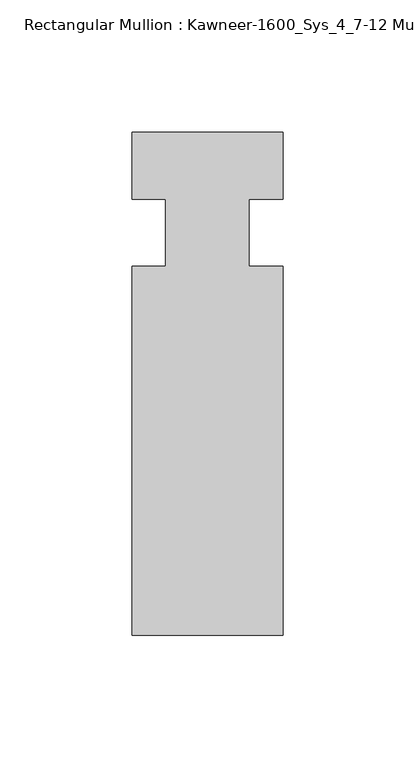
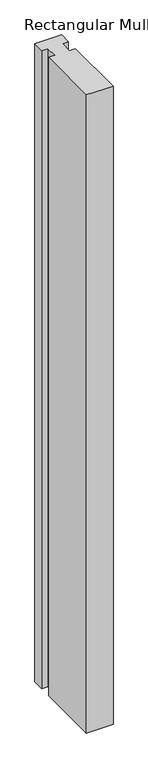
"""IFC4 building model written with IfcOpenShell, lengths in millimetres: member geometry, Rectangular Mullion : Kawneer-1600_Sys_4_7-12 Mullion_Horizontal."""

import ifcopenshell
import ifcopenshell.guid

model = None  # the IFC model being written
_history = None  # IfcOwnerHistory: only IFC2X3 demands one
_inside = {}  # id of a spatial element -> (the spatial element, [elements in it])
_under = {}  # id of a project, library or spatial element -> (it, [spatial elements below it])
_declared = {}  # id of a project -> (the project, [libraries it declares])
_typed = {}  # id of a type object -> (the type object, [elements of that type])
_made_of = {}  # id of a material, layer set ... -> (it, [elements and type objects made of it])


def new_model(schema):
    """Start an empty IFC model of exactly this schema.

    Asked for "IFC4X3", IfcOpenShell would pick the latest addendum, in which some entities
    have other attributes; the version numbers below select the first issue.
    IFC2X3 requires an IfcOwnerHistory on every rooted entity: one is made here for all.
    """
    global model, _history
    if schema == "IFC4X3":
        model = ifcopenshell.file(schema_version=(4, 3, 0, 0))
    else:
        model = ifcopenshell.file(schema=schema)
    _inside.clear()
    _under.clear()
    _declared.clear()
    _typed.clear()
    _made_of.clear()
    _history = None
    if model.schema == "IFC2X3":
        org = make("IfcOrganization", Name="unknown")
        user = make(
            "IfcPersonAndOrganization",
            ThePerson=make("IfcPerson", FamilyName="unknown"),
            TheOrganization=org,
        )
        app = make(
            "IfcApplication",
            ApplicationDeveloper=org,
            Version="unknown",
            ApplicationFullName="unknown",
            ApplicationIdentifier="unknown",
        )
        _history = make(
            "IfcOwnerHistory",
            OwningUser=user,
            OwningApplication=app,
            ChangeAction="ADDED",
            CreationDate=0,
        )
    return model


def make(cls, **values):
    """One entity of the class cls with the attributes given. An attribute that is None is left unset."""
    return model.create_entity(
        cls, **{name: value for name, value in values.items() if value is not None}
    )


def rooted(cls, **values):
    """An entity with a GlobalId (a new one), such as an element, a storey or a relation."""
    return make(cls, GlobalId=ifcopenshell.guid.new(), OwnerHistory=_history, **values)


def si_unit(unit_type, name, prefix=None):
    """IfcSIUnit, for example si_unit("LENGTHUNIT", "METRE", prefix="MILLI")."""
    return make("IfcSIUnit", UnitType=unit_type, Prefix=prefix, Name=name)


def assignment(units):
    """IfcUnitAssignment: the units of a project."""
    return None if units is None else make("IfcUnitAssignment", Units=units)


def point(xyz):
    """IfcCartesianPoint."""
    return None if xyz is None else make("IfcCartesianPoint", Coordinates=xyz)


def direction(xyz):
    """IfcDirection."""
    return None if xyz is None else make("IfcDirection", DirectionRatios=xyz)


def frame(location, z_axis=None, x_axis=None):
    """IfcAxis2Placement3D, a coordinate frame: its origin and axes. An axis left out is left unset."""
    return make(
        "IfcAxis2Placement3D",
        Location=point(location),
        Axis=direction(z_axis),
        RefDirection=direction(x_axis),
    )


def origin():
    """The frame at (0, 0, 0) with its axes left unset."""
    return frame((0.0, 0.0, 0.0))


def place(relative_to, where):
    """IfcLocalPlacement: puts the frame where relative to a parent placement (None: the world)."""
    return make(
        "IfcLocalPlacement", PlacementRelTo=relative_to, RelativePlacement=where
    )


def context(
    kind, dimensions, precision=None, world=None, true_north=None, identifier=None
):
    """IfcGeometricRepresentationContext, for example the 3D "Model" context."""
    return make(
        "IfcGeometricRepresentationContext",
        ContextIdentifier=identifier,
        ContextType=kind,
        CoordinateSpaceDimension=dimensions,
        Precision=precision,
        WorldCoordinateSystem=world,
        TrueNorth=true_north,
    )


def project(units=None, contexts=None):
    """IfcProject with its units and contexts."""
    return rooted(
        "IfcProject",
        Name="project",
        RepresentationContexts=contexts,
        UnitsInContext=assignment(units),
    )


def spatial(cls, under=None, at=None, **own):
    """A site, building, storey or space (cls), placed at a placement, below another one or the project."""
    s = rooted(cls, ObjectPlacement=at, **own)
    if under is not None:
        _under.setdefault(under.id(), (under, []))[1].append(s)
    return s


def polyline(points):
    """IfcPolyline through the points."""
    return make("IfcPolyline", Points=[point(p) for p in points])


def outline(outer, holes=None, kind="AREA"):
    """IfcArbitraryClosedProfileDef: a profile drawn as a closed curve; with holes, ...WithVoids."""
    if holes is None:
        return make("IfcArbitraryClosedProfileDef", ProfileType=kind, OuterCurve=outer)
    return make(
        "IfcArbitraryProfileDefWithVoids",
        ProfileType=kind,
        OuterCurve=outer,
        InnerCurves=holes,
    )


def extrude(swept, where, along, depth):
    """IfcExtrudedAreaSolid: the profile swept, set in the frame where, extruded along a direction by depth."""
    return make(
        "IfcExtrudedAreaSolid",
        SweptArea=swept,
        Position=where,
        ExtrudedDirection=direction(along),
        Depth=depth,
    )


def shape(context_of_items, identifier, shape_type, items):
    """IfcShapeRepresentation: the items that make up one representation, for example the "Body"."""
    return make(
        "IfcShapeRepresentation",
        ContextOfItems=context_of_items,
        RepresentationIdentifier=identifier,
        RepresentationType=shape_type,
        Items=items,
    )


def source(mapping_origin, context_of_items, identifier, shape_type, items):
    """IfcRepresentationMap: a shape defined once, which mapped items show again and again."""
    return make(
        "IfcRepresentationMap",
        MappingOrigin=mapping_origin,
        MappedRepresentation=shape(context_of_items, identifier, shape_type, items),
    )


def transform(
    local_origin,
    x_axis=None,
    y_axis=None,
    z_axis=None,
    scale=None,
    scale2=None,
    scale3=None,
    uniform=True,
):
    """IfcCartesianTransformationOperator3D, or its non-uniform kind. x_axis, y_axis, z_axis: its Axis1, 2, 3."""
    if uniform:
        return make(
            "IfcCartesianTransformationOperator3D",
            Axis1=direction(x_axis),
            Axis2=direction(y_axis),
            LocalOrigin=point(local_origin),
            Scale=scale,
            Axis3=direction(z_axis),
        )
    return make(
        "IfcCartesianTransformationOperator3DnonUniform",
        Axis1=direction(x_axis),
        Axis2=direction(y_axis),
        LocalOrigin=point(local_origin),
        Scale=scale,
        Axis3=direction(z_axis),
        Scale2=scale2,
        Scale3=scale3,
    )


def mapped(mapping_source, mapping_target):
    """IfcMappedItem: shows the shape of a source again, moved by a transform."""
    return make(
        "IfcMappedItem", MappingSource=mapping_source, MappingTarget=mapping_target
    )


def made_of(thing, what):
    """Note that an element or type object is made of a material, layer set ...; save() writes the relation."""
    if what is not None:
        _made_of.setdefault(what.id(), (what, []))[1].append(thing)
    return thing


def element(
    cls,
    number,
    at=None,
    inside=None,
    cuts=None,
    type_object=None,
    material=None,
    context=None,
    identifier="Body",
    shape_type=None,
    held_by="IfcProductDefinitionShape",
    body=None,
    shapes=None,
    **own,
):
    """One element of the class cls, such as IfcWall. Its Tag is "e" and its number.

    at: its placement. inside: the storey or other place that contains it. cuts: it is an
    opening in that element (IfcRelVoidsElement). A single representation is given by context,
    identifier, shape_type and body (its items); several are given by shapes. held_by: the class
    of the entity that holds the representations. save() writes the other relations.
    """
    e = rooted(cls, Tag="e%d" % number, ObjectPlacement=at, **own)
    if body is not None:
        shapes = [shape(context, identifier, shape_type, body)]
    if shapes is not None:
        e.Representation = make(held_by, Representations=shapes)
    if inside is not None:
        _inside.setdefault(inside.id(), (inside, []))[1].append(e)
    if cuts is not None:
        rooted(
            "IfcRelVoidsElement", RelatingBuildingElement=cuts, RelatedOpeningElement=e
        )
    if type_object is not None:
        _typed.setdefault(type_object.id(), (type_object, []))[1].append(e)
    return made_of(e, material)


def aggregate(whole, parts):
    """IfcRelAggregates: a whole, such as a stair, and the parts it consists of."""
    return rooted("IfcRelAggregates", RelatingObject=whole, RelatedObjects=parts)


def save(model, path):
    """Write the relations noted so far, then the file.

    IfcRelAggregates (storeys below a building ...), IfcRelContainedInSpatialStructure (elements
    in a storey), IfcRelDefinesByType, IfcRelAssociatesMaterial and IfcRelDeclares: one each for
    every whole, place, type object, material and project.
    """
    for whole, parts in _under.values():
        aggregate(whole, parts)
    for where, things in _inside.values():
        rooted(
            "IfcRelContainedInSpatialStructure",
            RelatedElements=things,
            RelatingStructure=where,
        )
    for kind, things in _typed.values():
        rooted("IfcRelDefinesByType", RelatedObjects=things, RelatingType=kind)
    for what, things in _made_of.values():
        rooted("IfcRelAssociatesMaterial", RelatedObjects=things, RelatingMaterial=what)
    for by, libraries in _declared.values():
        rooted("IfcRelDeclares", RelatingContext=by, RelatedDefinitions=libraries)
    model.write(path)


def rectangular_mullion_kawneer_1600_sys_4_7_12_mullion_16c9245e(model_context):
    return source(origin(), model_context, "Body", "SweptSolid", [
        extrude(outline(polyline([(32.9094027, -152.4), (-24.2405973, -152.4), (-24.2405973, -12.7), (-11.5405973, -12.7), (-11.5405973, 12.7), (-24.2405973, 12.7), (-24.2405973, 38.1), (32.9094027, 38.1), (32.9094027, 12.7), (20.2076322, 12.7), (20.2076322, -12.7), (32.9094027, -12.7), (32.9094027, -152.4)])), frame((0.0, 0.0, -1442.6094027), z_axis=(0.0, 0.0, 1.0), x_axis=(1.0, 0.0, 0.0)), (0.0, 0.0, 1.0), 1442.6094027),
    ])


if __name__ == "__main__":
    model = new_model("IFC4")
    model_context = context("Model", 3, world=origin())
    ifc_project = project(units=[si_unit("LENGTHUNIT", "METRE", prefix="MILLI")], contexts=[model_context])
    site = spatial("IfcSite", under=ifc_project)
    building = spatial("IfcBuilding", under=site)
    placement = place(None, origin())
    rectangular_mullion_kawneer_1600_sys_4_7_12_mullion_shape = rectangular_mullion_kawneer_1600_sys_4_7_12_mullion_16c9245e(model_context)
    element("IfcMember", 1, ObjectType="Rectangular Mullion : Kawneer-1600_Sys_4_7-12 Mullion_Horizontal", at=placement, inside=building, context=model_context, shape_type="MappedRepresentation", body=[
        mapped(rectangular_mullion_kawneer_1600_sys_4_7_12_mullion_shape, transform((0.0, 0.0, 0.0), x_axis=(1.0, 0.0, 0.0), y_axis=(0.0, 1.0, 0.0), z_axis=(0.0, 0.0, 1.0))),
    ])
    save(model, "model.ifc")
